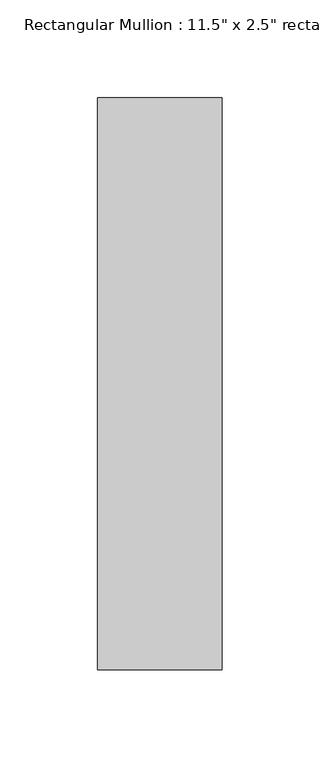
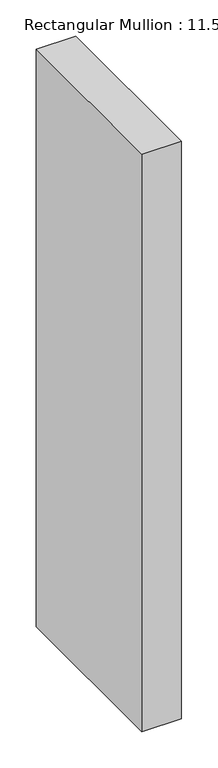
"""IFC4 building model written with IfcOpenShell, lengths in millimetres: member geometry."""

import ifcopenshell
import ifcopenshell.guid

model = None  # the IFC model being written
_history = None  # IfcOwnerHistory: only IFC2X3 demands one
_inside = {}  # id of a spatial element -> (the spatial element, [elements in it])
_under = {}  # id of a project, library or spatial element -> (it, [spatial elements below it])
_declared = {}  # id of a project -> (the project, [libraries it declares])
_typed = {}  # id of a type object -> (the type object, [elements of that type])
_made_of = {}  # id of a material, layer set ... -> (it, [elements and type objects made of it])


def new_model(schema):
    """Start an empty IFC model of exactly this schema.

    Asked for "IFC4X3", IfcOpenShell would pick the latest addendum, in which some entities
    have other attributes; the version numbers below select the first issue.
    IFC2X3 requires an IfcOwnerHistory on every rooted entity: one is made here for all.
    """
    global model, _history
    if schema == "IFC4X3":
        model = ifcopenshell.file(schema_version=(4, 3, 0, 0))
    else:
        model = ifcopenshell.file(schema=schema)
    _inside.clear()
    _under.clear()
    _declared.clear()
    _typed.clear()
    _made_of.clear()
    _history = None
    if model.schema == "IFC2X3":
        org = make("IfcOrganization", Name="unknown")
        user = make(
            "IfcPersonAndOrganization",
            ThePerson=make("IfcPerson", FamilyName="unknown"),
            TheOrganization=org,
        )
        app = make(
            "IfcApplication",
            ApplicationDeveloper=org,
            Version="unknown",
            ApplicationFullName="unknown",
            ApplicationIdentifier="unknown",
        )
        _history = make(
            "IfcOwnerHistory",
            OwningUser=user,
            OwningApplication=app,
            ChangeAction="ADDED",
            CreationDate=0,
        )
    return model


def make(cls, **values):
    """One entity of the class cls with the attributes given. An attribute that is None is left unset."""
    return model.create_entity(
        cls, **{name: value for name, value in values.items() if value is not None}
    )


def rooted(cls, **values):
    """An entity with a GlobalId (a new one), such as an element, a storey or a relation."""
    return make(cls, GlobalId=ifcopenshell.guid.new(), OwnerHistory=_history, **values)


def si_unit(unit_type, name, prefix=None):
    """IfcSIUnit, for example si_unit("LENGTHUNIT", "METRE", prefix="MILLI")."""
    return make("IfcSIUnit", UnitType=unit_type, Prefix=prefix, Name=name)


def assignment(units):
    """IfcUnitAssignment: the units of a project."""
    return None if units is None else make("IfcUnitAssignment", Units=units)


def point(xyz):
    """IfcCartesianPoint."""
    return None if xyz is None else make("IfcCartesianPoint", Coordinates=xyz)


def direction(xyz):
    """IfcDirection."""
    return None if xyz is None else make("IfcDirection", DirectionRatios=xyz)


def frame(location, z_axis=None, x_axis=None):
    """IfcAxis2Placement3D, a coordinate frame: its origin and axes. An axis left out is left unset."""
    return make(
        "IfcAxis2Placement3D",
        Location=point(location),
        Axis=direction(z_axis),
        RefDirection=direction(x_axis),
    )


def origin():
    """The frame at (0, 0, 0) with its axes left unset."""
    return frame((0.0, 0.0, 0.0))


def place(relative_to, where):
    """IfcLocalPlacement: puts the frame where relative to a parent placement (None: the world)."""
    return make(
        "IfcLocalPlacement", PlacementRelTo=relative_to, RelativePlacement=where
    )


def context(
    kind, dimensions, precision=None, world=None, true_north=None, identifier=None
):
    """IfcGeometricRepresentationContext, for example the 3D "Model" context."""
    return make(
        "IfcGeometricRepresentationContext",
        ContextIdentifier=identifier,
        ContextType=kind,
        CoordinateSpaceDimension=dimensions,
        Precision=precision,
        WorldCoordinateSystem=world,
        TrueNorth=true_north,
    )


def project(units=None, contexts=None):
    """IfcProject with its units and contexts."""
    return rooted(
        "IfcProject",
        Name="project",
        RepresentationContexts=contexts,
        UnitsInContext=assignment(units),
    )


def spatial(cls, under=None, at=None, **own):
    """A site, building, storey or space (cls), placed at a placement, below another one or the project."""
    s = rooted(cls, ObjectPlacement=at, **own)
    if under is not None:
        _under.setdefault(under.id(), (under, []))[1].append(s)
    return s


def polyline(points):
    """IfcPolyline through the points."""
    return make("IfcPolyline", Points=[point(p) for p in points])


def outline(outer, holes=None, kind="AREA"):
    """IfcArbitraryClosedProfileDef: a profile drawn as a closed curve; with holes, ...WithVoids."""
    if holes is None:
        return make("IfcArbitraryClosedProfileDef", ProfileType=kind, OuterCurve=outer)
    return make(
        "IfcArbitraryProfileDefWithVoids",
        ProfileType=kind,
        OuterCurve=outer,
        InnerCurves=holes,
    )


def extrude(swept, where, along, depth):
    """IfcExtrudedAreaSolid: the profile swept, set in the frame where, extruded along a direction by depth."""
    return make(
        "IfcExtrudedAreaSolid",
        SweptArea=swept,
        Position=where,
        ExtrudedDirection=direction(along),
        Depth=depth,
    )


def shape(context_of_items, identifier, shape_type, items):
    """IfcShapeRepresentation: the items that make up one representation, for example the "Body"."""
    return make(
        "IfcShapeRepresentation",
        ContextOfItems=context_of_items,
        RepresentationIdentifier=identifier,
        RepresentationType=shape_type,
        Items=items,
    )


def source(mapping_origin, context_of_items, identifier, shape_type, items):
    """IfcRepresentationMap: a shape defined once, which mapped items show again and again."""
    return make(
        "IfcRepresentationMap",
        MappingOrigin=mapping_origin,
        MappedRepresentation=shape(context_of_items, identifier, shape_type, items),
    )


def transform(
    local_origin,
    x_axis=None,
    y_axis=None,
    z_axis=None,
    scale=None,
    scale2=None,
    scale3=None,
    uniform=True,
):
    """IfcCartesianTransformationOperator3D, or its non-uniform kind. x_axis, y_axis, z_axis: its Axis1, 2, 3."""
    if uniform:
        return make(
            "IfcCartesianTransformationOperator3D",
            Axis1=direction(x_axis),
            Axis2=direction(y_axis),
            LocalOrigin=point(local_origin),
            Scale=scale,
            Axis3=direction(z_axis),
        )
    return make(
        "IfcCartesianTransformationOperator3DnonUniform",
        Axis1=direction(x_axis),
        Axis2=direction(y_axis),
        LocalOrigin=point(local_origin),
        Scale=scale,
        Axis3=direction(z_axis),
        Scale2=scale2,
        Scale3=scale3,
    )


def mapped(mapping_source, mapping_target):
    """IfcMappedItem: shows the shape of a source again, moved by a transform."""
    return make(
        "IfcMappedItem", MappingSource=mapping_source, MappingTarget=mapping_target
    )


def made_of(thing, what):
    """Note that an element or type object is made of a material, layer set ...; save() writes the relation."""
    if what is not None:
        _made_of.setdefault(what.id(), (what, []))[1].append(thing)
    return thing


def element(
    cls,
    number,
    at=None,
    inside=None,
    cuts=None,
    type_object=None,
    material=None,
    context=None,
    identifier="Body",
    shape_type=None,
    held_by="IfcProductDefinitionShape",
    body=None,
    shapes=None,
    **own,
):
    """One element of the class cls, such as IfcWall. Its Tag is "e" and its number.

    at: its placement. inside: the storey or other place that contains it. cuts: it is an
    opening in that element (IfcRelVoidsElement). A single representation is given by context,
    identifier, shape_type and body (its items); several are given by shapes. held_by: the class
    of the entity that holds the representations. save() writes the other relations.
    """
    e = rooted(cls, Tag="e%d" % number, ObjectPlacement=at, **own)
    if body is not None:
        shapes = [shape(context, identifier, shape_type, body)]
    if shapes is not None:
        e.Representation = make(held_by, Representations=shapes)
    if inside is not None:
        _inside.setdefault(inside.id(), (inside, []))[1].append(e)
    if cuts is not None:
        rooted(
            "IfcRelVoidsElement", RelatingBuildingElement=cuts, RelatedOpeningElement=e
        )
    if type_object is not None:
        _typed.setdefault(type_object.id(), (type_object, []))[1].append(e)
    return made_of(e, material)


def aggregate(whole, parts):
    """IfcRelAggregates: a whole, such as a stair, and the parts it consists of."""
    return rooted("IfcRelAggregates", RelatingObject=whole, RelatedObjects=parts)


def save(model, path):
    """Write the relations noted so far, then the file.

    IfcRelAggregates (storeys below a building ...), IfcRelContainedInSpatialStructure (elements
    in a storey), IfcRelDefinesByType, IfcRelAssociatesMaterial and IfcRelDeclares: one each for
    every whole, place, type object, material and project.
    """
    for whole, parts in _under.values():
        aggregate(whole, parts)
    for where, things in _inside.values():
        rooted(
            "IfcRelContainedInSpatialStructure",
            RelatedElements=things,
            RelatingStructure=where,
        )
    for kind, things in _typed.values():
        rooted("IfcRelDefinesByType", RelatedObjects=things, RelatingType=kind)
    for what, things in _made_of.values():
        rooted("IfcRelAssociatesMaterial", RelatedObjects=things, RelatingMaterial=what)
    for by, libraries in _declared.values():
        rooted("IfcRelDeclares", RelatingContext=by, RelatedDefinitions=libraries)
    model.write(path)


def member_9ee8d4f4(model_context):
    return source(origin(), model_context, "Body", "SweptSolid", [
        extrude(outline(polyline([(0.0, 88.9), (0.0, -203.2), (-63.5, -203.2), (-63.5, 88.9), (0.0, 88.9)])), frame((0.0, 0.0, -975.36), z_axis=(0.0, 0.0, 1.0), x_axis=(1.0, 0.0, 0.0)), (0.0, 0.0, 1.0), 975.36),
    ])


if __name__ == "__main__":
    model = new_model("IFC4")
    model_context = context("Model", 3, world=origin())
    ifc_project = project(units=[si_unit("LENGTHUNIT", "METRE", prefix="MILLI")], contexts=[model_context])
    site = spatial("IfcSite", under=ifc_project)
    building = spatial("IfcBuilding", under=site)
    placement = place(None, origin())
    member_shape = member_9ee8d4f4(model_context)
    element("IfcMember", 1, ObjectType="Rectangular Mullion : 11.5\" x 2.5\" rectangular", at=placement, inside=building, context=model_context, shape_type="MappedRepresentation", body=[
        mapped(member_shape, transform((0.0, 0.0, 0.0), x_axis=(1.0, 0.0, 0.0), y_axis=(0.0, 1.0, 0.0), z_axis=(0.0, 0.0, 1.0))),
    ])
    save(model, "model.ifc")
